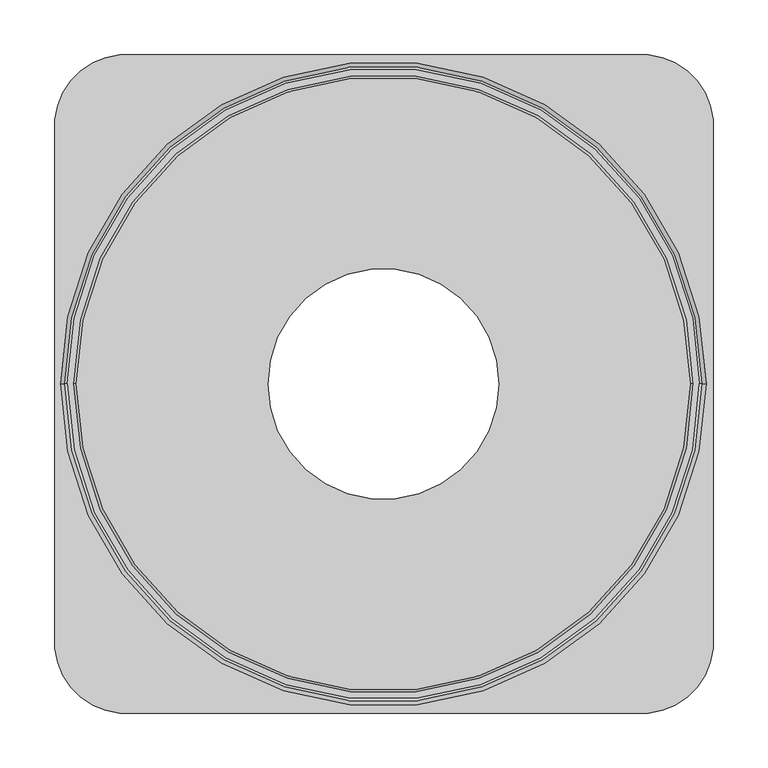
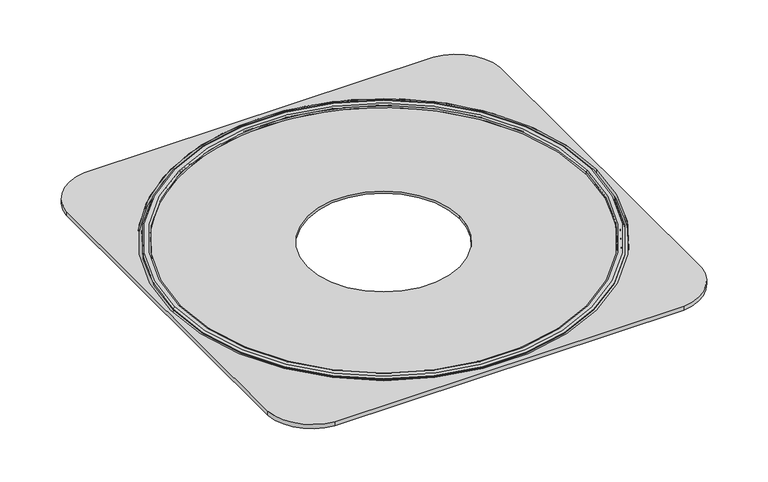
"""IFC4 building model written with IfcOpenShell, lengths in millimetres: proxy geometry."""

from ifc_helpers import new_model, si_unit, point, frame, frame_2d, origin, origin_2d, place, context, project, spatial, polyline, circle_curve, ellipse_curve, trimmed, segment, composite_curve, outline, extrude, source, transform, mapped, element, save
from ifc_brep_helpers import plane_surface, cylinder_surface, revolved_surface, advanced_brep


def specialty_equipment_ba5efac0(model_context):
    return source(origin(), model_context, "Body", "SolidModel", [
        extrude(outline(composite_curve([segment(trimmed(circle_curve(frame_2d((2405.1238732, 0.0)), 2715.0), [point((-299.1726991, -240.8423741))], [point((-299.1726991, 240.8423741))], False, "CARTESIAN"), True, "CONTINUOUS"), segment(trimmed(circle_curve(frame_2d((-234.4289505, 235.0763504)), 65.0), [point((-299.1726991, 240.8423741))], [point((-240.1916831, 299.8203919))], False, "CARTESIAN"), True, "CONTINUOUS"), segment(trimmed(circle_curve(frame_2d((0.5132226, -2404.4884196)), 2715.0), [point((-240.1916831, 299.8203919))], [point((241.445972, 299.8001024))], False, "CARTESIAN"), True, "CONTINUOUS"), segment(trimmed(circle_curve(frame_2d((235.6777846, 235.0565466)), 65.0), [point((241.445972, 299.8001024))], [point((300.4215764, 240.8220845))], False, "CARTESIAN"), True, "CONTINUOUS"), segment(trimmed(circle_curve(frame_2d((-2403.8768028, 0.0)), 2715.0), [point((300.4215764, 240.8220845))], [point((300.4215764, -240.8220845))], False, "CARTESIAN"), True, "CONTINUOUS"), segment(trimmed(circle_curve(frame_2d((235.6777846, -235.0565466)), 65.0), [point((300.4215764, -240.8220845))], [point((241.445972, -299.8001024))], False, "CARTESIAN"), True, "CONTINUOUS"), segment(trimmed(circle_curve(frame_2d((0.5132226, 2404.4884196)), 2715.0), [point((241.445972, -299.8001024))], [point((-240.1916831, -299.8203919))], False, "CARTESIAN"), True, "CONTINUOUS"), segment(trimmed(circle_curve(frame_2d((-234.4289505, -235.0763504)), 65.0), [point((-240.1916831, -299.8203919))], [point((-299.1726991, -240.8423741))], False, "CARTESIAN"), True, "CONTINUOUS")], self_intersect=False), holes=[composite_curve([segment(trimmed(circle_curve(origin_2d(), 294.0), [point((294.0, 0.0))], [point((-294.0, 0.0))], True, "CARTESIAN"), True, "CONTINUOUS"), segment(trimmed(circle_curve(origin_2d(), 294.0), [point((-294.0, 0.0))], [point((294.0, 0.0))], True, "CARTESIAN"), True, "CONTINUOUS")], self_intersect=False)]), frame((0.0, 0.0, 2892.0), z_axis=(0.0, 0.0, 1.0), x_axis=(1.0, 0.0, 0.0)), (0.0, 0.0, 1.0), 6.0),
        extrude(outline(composite_curve([segment(trimmed(circle_curve(origin_2d(), 280.0), [point((280.0, 0.0))], [point((-280.0, 0.0))], False, "CARTESIAN"), True, "CONTINUOUS"), segment(trimmed(circle_curve(origin_2d(), 280.0), [point((-280.0, 0.0))], [point((280.0, 0.0))], False, "CARTESIAN"), True, "CONTINUOUS")], self_intersect=False), holes=[composite_curve([segment(trimmed(circle_curve(origin_2d(), 105.0), [point((-105.0, 0.0))], [point((105.0, 0.0))], True, "CARTESIAN"), True, "CONTINUOUS"), segment(trimmed(circle_curve(origin_2d(), 105.0), [point((105.0, 0.0))], [point((-105.0, 0.0))], True, "CARTESIAN"), True, "CONTINUOUS")], self_intersect=False)]), frame((0.0, 0.0, 2892.0), z_axis=(0.0, 0.0, 1.0), x_axis=(1.0, 0.0, 0.0)), (0.0, 0.0, 1.0), 3.0),
        advanced_brep(
        [(-280.0, 0.0, 2898.0), (280.0, 0.0, 2898.0), (280.0, 0.0, 2895.0), (-280.0, 0.0, 2895.0), (-282.0, 0.0, 2900.0), (282.0, 0.0, 2900.0), (-290.0, 0.0, 2898.0), (290.0, 0.0, 2898.0), (288.0, 0.0, 2900.0), (-288.0, 0.0, 2900.0), (-290.0, 0.0, 2896.0), (290.0, 0.0, 2896.0), (-294.0, 0.0, 2892.0), (294.0, 0.0, 2892.0), (-285.0, 0.0, 2894.0), (285.0, 0.0, 2894.0), (285.0, 0.0, 2892.0), (-285.0, 0.0, 2892.0), (-284.0, 0.0, 2895.0), (284.0, 0.0, 2895.0)],
        [
            (0, 1, circle_curve(frame((0.0, 0.0, 2898.0), z_axis=(0.0, 0.0, 1.0), x_axis=(1.0, 0.0, 0.0)), 280.0)),
            (1, 2),
            (2, 3, circle_curve(frame((0.0, 0.0, 2895.0), z_axis=(0.0, 0.0, -1.0), x_axis=(1.0, 0.0, 0.0)), 280.0)),
            (3, 0),
            (4, 5, circle_curve(frame((0.0, 0.0, 2900.0), z_axis=(0.0, 0.0, 1.0), x_axis=(1.0, 0.0, 0.0)), 282.0)),
            (5, 1, circle_curve(frame((282.0, 0.0, 2898.0), z_axis=(0.0, -1.0, 0.0), x_axis=(1.0, 0.0, 0.0)), 2.0)),
            (0, 4, circle_curve(frame((-282.0, 0.0, 2898.0), z_axis=(0.0, -1.0, 0.0), x_axis=(-1.0, 0.0, 0.0)), 2.0)),
            (6, 7, circle_curve(frame((0.0, 0.0, 2898.0), z_axis=(0.0, 0.0, 1.0), x_axis=(1.0, 0.0, 0.0)), 290.0)),
            (7, 8, circle_curve(frame((288.0, 0.0, 2898.0), z_axis=(0.0, -1.0, 0.0), x_axis=(1.0, 0.0, 0.0)), 2.0)),
            (8, 9, circle_curve(frame((0.0, 0.0, 2900.0), z_axis=(0.0, 0.0, -1.0), x_axis=(1.0, 0.0, 0.0)), 288.0)),
            (9, 6, circle_curve(frame((-288.0, 0.0, 2898.0), z_axis=(0.0, -1.0, 0.0), x_axis=(-1.0, 0.0, 0.0)), 2.0)),
            (10, 11, circle_curve(frame((0.0, 0.0, 2896.0), z_axis=(0.0, 0.0, 1.0), x_axis=(1.0, 0.0, 0.0)), 290.0)),
            (11, 7),
            (6, 10),
            (12, 13, circle_curve(frame((0.0, 0.0, 2892.0), z_axis=(0.0, 0.0, 1.0), x_axis=(1.0, 0.0, 0.0)), 294.0)),
            (13, 11, circle_curve(frame((294.0, 0.0, 2896.0), z_axis=(0.0, 1.0, 0.0), x_axis=(1.0, 0.0, 0.0)), 4.0)),
            (10, 12, circle_curve(frame((-294.0, 0.0, 2896.0), z_axis=(0.0, 1.0, 0.0), x_axis=(-1.0, 0.0, 0.0)), 4.0)),
            (14, 15, circle_curve(frame((0.0, 0.0, 2894.0), z_axis=(0.0, 0.0, 1.0), x_axis=(1.0, 0.0, 0.0)), 285.0)),
            (15, 16),
            (16, 17, circle_curve(frame((0.0, 0.0, 2892.0), z_axis=(0.0, 0.0, -1.0), x_axis=(1.0, 0.0, 0.0)), 285.0)),
            (17, 14),
            (18, 19, circle_curve(frame((0.0, 0.0, 2895.0), z_axis=(0.0, 0.0, 1.0), x_axis=(1.0, 0.0, 0.0)), 284.0)),
            (19, 15, circle_curve(frame((284.0, 0.0, 2894.0), z_axis=(0.0, 1.0, 0.0), x_axis=(1.0, 0.0, 0.0)), 1.0)),
            (14, 18, circle_curve(frame((-284.0, 0.0, 2894.0), z_axis=(0.0, 1.0, 0.0), x_axis=(-1.0, 0.0, 0.0)), 1.0)),
            (18, 19, circle_curve(frame((0.0, 0.0, 2895.0), z_axis=(0.0, 0.0, -1.0), x_axis=(-1.0, 0.0, 0.0)), 284.0)),
            (2, 3, circle_curve(frame((0.0, 0.0, 2895.0), z_axis=(0.0, 0.0, 1.0), x_axis=(-1.0, 0.0, 0.0)), 280.0)),
            (1, 0, circle_curve(frame((0.0, 0.0, 2898.0), z_axis=(0.0, 0.0, 1.0), x_axis=(-1.0, 0.0, 0.0)), 280.0)),
            (5, 4, circle_curve(frame((0.0, 0.0, 2900.0), z_axis=(0.0, 0.0, 1.0), x_axis=(-1.0, 0.0, 0.0)), 282.0)),
            (8, 9, circle_curve(frame((0.0, 0.0, 2900.0), z_axis=(0.0, 0.0, 1.0), x_axis=(-1.0, 0.0, 0.0)), 288.0)),
            (7, 6, circle_curve(frame((0.0, 0.0, 2898.0), z_axis=(0.0, 0.0, 1.0), x_axis=(-1.0, 0.0, 0.0)), 290.0)),
            (11, 10, circle_curve(frame((0.0, 0.0, 2896.0), z_axis=(0.0, 0.0, 1.0), x_axis=(-1.0, 0.0, 0.0)), 290.0)),
            (13, 12, circle_curve(frame((0.0, 0.0, 2892.0), z_axis=(0.0, 0.0, 1.0), x_axis=(-1.0, 0.0, 0.0)), 294.0)),
            (16, 17, circle_curve(frame((0.0, 0.0, 2892.0), z_axis=(0.0, 0.0, 1.0), x_axis=(-1.0, 0.0, 0.0)), 285.0)),
            (15, 14, circle_curve(frame((0.0, 0.0, 2894.0), z_axis=(0.0, 0.0, 1.0), x_axis=(-1.0, 0.0, 0.0)), 285.0)),
        ],
        [
            revolved_surface(polyline([(280.0, 0.0, 2895.0), (280.0, 0.0, 2898.0)]), (0.0, 0.0, 2895.0), (0.0, 0.0, -1.0)),
            revolved_surface(trimmed(ellipse_curve(frame((282.0, 0.0, 2898.0), z_axis=(0.0, 1.0, 0.0), x_axis=(1.0, 0.0, 0.0)), 2.0, 2.0), [point((280.0, 0.0, 2898.0))], [point((282.0, 0.0, 2900.0))], True, "CARTESIAN"), (0.0, 0.0, 2895.0), (0.0, 0.0, -1.0)),
            revolved_surface(trimmed(ellipse_curve(frame((288.0, 0.0, 2898.0), z_axis=(0.0, 1.0, 0.0), x_axis=(1.0, 0.0, 0.0)), 2.0, 2.0), [point((288.0, 0.0, 2900.0))], [point((290.0, 0.0, 2898.0))], True, "CARTESIAN"), (0.0, 0.0, 2895.0), (0.0, 0.0, -1.0)),
            cylinder_surface(frame((0.0, 0.0, 2895.0), z_axis=(0.0, 0.0, -1.0), x_axis=(1.0, 0.0, 0.0)), 290.0),
            revolved_surface(trimmed(ellipse_curve(frame((294.0, 0.0, 2896.0), z_axis=(0.0, -1.0, 0.0), x_axis=(1.0, 0.0, 0.0)), 4.0, 4.0), [point((290.0, 0.0, 2896.0))], [point((294.0, 0.0, 2892.0))], True, "CARTESIAN"), (0.0, 0.0, 2895.0), (0.0, 0.0, -1.0)),
            revolved_surface(polyline([(285.0, 0.0, 2892.0), (285.0, 0.0, 2894.0)]), (0.0, 0.0, 2895.0), (0.0, 0.0, -1.0)),
            revolved_surface(trimmed(ellipse_curve(frame((284.0, 0.0, 2894.0), z_axis=(0.0, -1.0, 0.0), x_axis=(1.0, 0.0, 0.0)), 1.0, 1.0), [point((285.0, 0.0, 2894.0))], [point((284.0, 0.0, 2895.0))], True, "CARTESIAN"), (0.0, 0.0, 2895.0), (0.0, 0.0, -1.0)),
            plane_surface(frame((0.0, 0.0, 2895.0), z_axis=(0.0, 0.0, -1.0), x_axis=(-1.0, 0.0, 0.0))),
            revolved_surface(polyline([(-280.0, 0.0, 2895.0), (-280.0, 0.0, 2898.0)]), (0.0, 0.0, 2895.0), (0.0, 0.0, -1.0)),
            revolved_surface(trimmed(ellipse_curve(frame((-282.0, 0.0, 2898.0), z_axis=(0.0, -1.0, 0.0), x_axis=(-1.0, 0.0, 0.0)), 2.0, 2.0), [point((-280.0, 0.0, 2898.0))], [point((-282.0, 0.0, 2900.0))], True, "CARTESIAN"), (0.0, 0.0, 2895.0), (0.0, 0.0, -1.0)),
            plane_surface(frame((0.0, 0.0, 2900.0), z_axis=(0.0, 0.0, 1.0), x_axis=(-1.0, 0.0, 0.0))),
            revolved_surface(trimmed(ellipse_curve(frame((-288.0, 0.0, 2898.0), z_axis=(0.0, -1.0, 0.0), x_axis=(-1.0, 0.0, 0.0)), 2.0, 2.0), [point((-288.0, 0.0, 2900.0))], [point((-290.0, 0.0, 2898.0))], True, "CARTESIAN"), (0.0, 0.0, 2895.0), (0.0, 0.0, -1.0)),
            cylinder_surface(frame((0.0, 0.0, 2895.0), z_axis=(0.0, 0.0, -1.0), x_axis=(-1.0, 0.0, 0.0)), 290.0),
            revolved_surface(trimmed(ellipse_curve(frame((-294.0, 0.0, 2896.0), z_axis=(0.0, 1.0, 0.0), x_axis=(-1.0, 0.0, 0.0)), 4.0, 4.0), [point((-290.0, 0.0, 2896.0))], [point((-294.0, 0.0, 2892.0))], True, "CARTESIAN"), (0.0, 0.0, 2895.0), (0.0, 0.0, -1.0)),
            plane_surface(frame((0.0, 0.0, 2892.0), z_axis=(0.0, 0.0, -1.0), x_axis=(-1.0, 0.0, 0.0))),
            revolved_surface(polyline([(-285.0, 0.0, 2892.0), (-285.0, 0.0, 2894.0)]), (0.0, 0.0, 2895.0), (0.0, 0.0, -1.0)),
            revolved_surface(trimmed(ellipse_curve(frame((-284.0, 0.0, 2894.0), z_axis=(0.0, 1.0, 0.0), x_axis=(-1.0, 0.0, 0.0)), 1.0, 1.0), [point((-285.0, 0.0, 2894.0))], [point((-284.0, 0.0, 2895.0))], True, "CARTESIAN"), (0.0, 0.0, 2895.0), (0.0, 0.0, -1.0)),
        ],
        [
            (0, [[1, 2, 3, 4]]),
            (1, [[5, 6, -1, 7]]),
            (2, [[8, 9, 10, 11]]),
            (3, [[12, 13, -8, 14]]),
            (4, [[15, 16, -12, 17]]),
            (5, [[18, 19, 20, 21]]),
            (6, [[22, 23, -18, 24]]),
            (7, [[25, -22], [26, -3]]),
            (8, [[27, -4, -26, -2]]),
            (9, [[28, -7, -27, -6]]),
            (10, [[29, -10], [-28, -5]]),
            (11, [[30, -11, -29, -9]]),
            (12, [[31, -14, -30, -13]]),
            (13, [[32, -17, -31, -16]]),
            (14, [[-32, -15], [33, -20]]),
            (15, [[34, -21, -33, -19]]),
            (16, [[-25, -24, -34, -23]]),
        ],
    ),
    ])


if __name__ == "__main__":
    model = new_model("IFC4")
    model_context = context("Model", 3, world=origin())
    ifc_project = project(units=[si_unit("LENGTHUNIT", "METRE", prefix="MILLI")], contexts=[model_context])
    site = spatial("IfcSite", under=ifc_project)
    building = spatial("IfcBuilding", under=site)
    placement = place(None, origin())
    specialty_equipment_shape = specialty_equipment_ba5efac0(model_context)
    element("IfcBuildingElementProxy", 1, Name="Specialty Equipment", at=placement, inside=building, context=model_context, shape_type="MappedRepresentation", body=[
        mapped(specialty_equipment_shape, transform((0.0, 0.0, 0.0), x_axis=(1.0, 0.0, 0.0), y_axis=(0.0, 1.0, 0.0), z_axis=(0.0, 0.0, 1.0))),
    ])
    save(model, "model.ifc")
